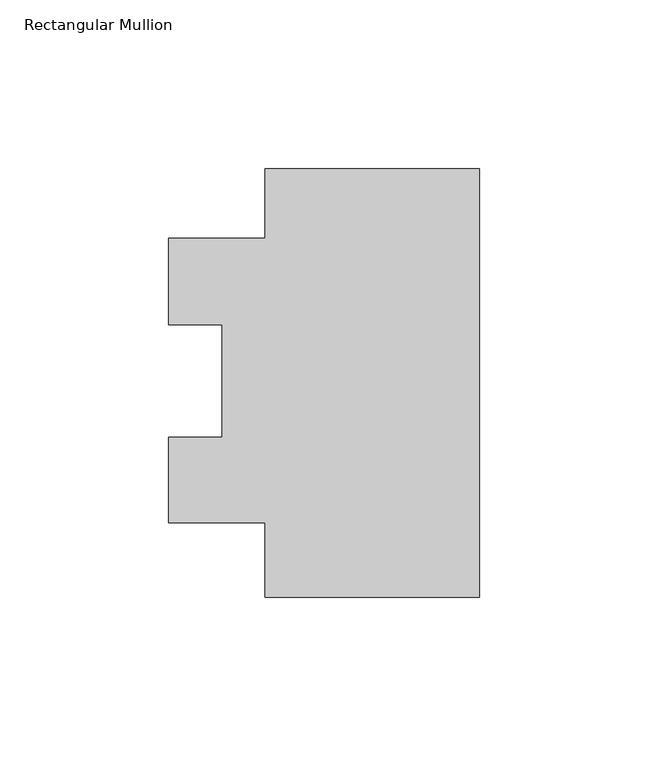
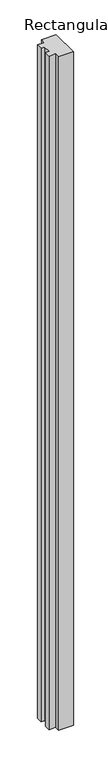
"""IFC4 building model written with IfcOpenShell, lengths in millimetres: member geometry, Rectangular Mullion."""

from ifc_helpers import new_model, si_unit, frame, origin, place, context, project, spatial, polyline, outline, extrude, source, transform, mapped, element, save


def rectangular_mullion_f5d455dc(model_context):
    return source(origin(), model_context, "Body", "SweptSolid", [
        extrude(outline(polyline([(-63.5, -64.30197), (-63.5, -42.17857), (-92.075, -42.17857), (-92.075, -16.8479013), (-76.2, -16.8479013), (-76.2, 16.51512), (-92.075, 16.51512), (-92.075, 42.14943), (-63.5, 42.14943), (-63.5, 62.69803), (0.0, 62.69803), (0.0, -64.30197), (-63.5, -64.30197)])), frame((0.0, 0.0, -3048.0), z_axis=(0.0, 0.0, 1.0), x_axis=(1.0, 0.0, 0.0)), (0.0, 0.0, 1.0), 3048.0),
    ])


if __name__ == "__main__":
    model = new_model("IFC4")
    model_context = context("Model", 3, world=origin())
    ifc_project = project(units=[si_unit("LENGTHUNIT", "METRE", prefix="MILLI")], contexts=[model_context])
    site = spatial("IfcSite", under=ifc_project)
    building = spatial("IfcBuilding", under=site)
    placement = place(None, origin())
    rectangular_mullion_shape = rectangular_mullion_f5d455dc(model_context)
    element("IfcMember", 1, ObjectType="Rectangular Mullion", at=placement, inside=building, context=model_context, shape_type="MappedRepresentation", body=[
        mapped(rectangular_mullion_shape, transform((0.0, 0.0, 0.0), x_axis=(1.0, 0.0, 0.0), y_axis=(0.0, 1.0, 0.0), z_axis=(0.0, 0.0, 1.0))),
    ])
    save(model, "model.ifc")
